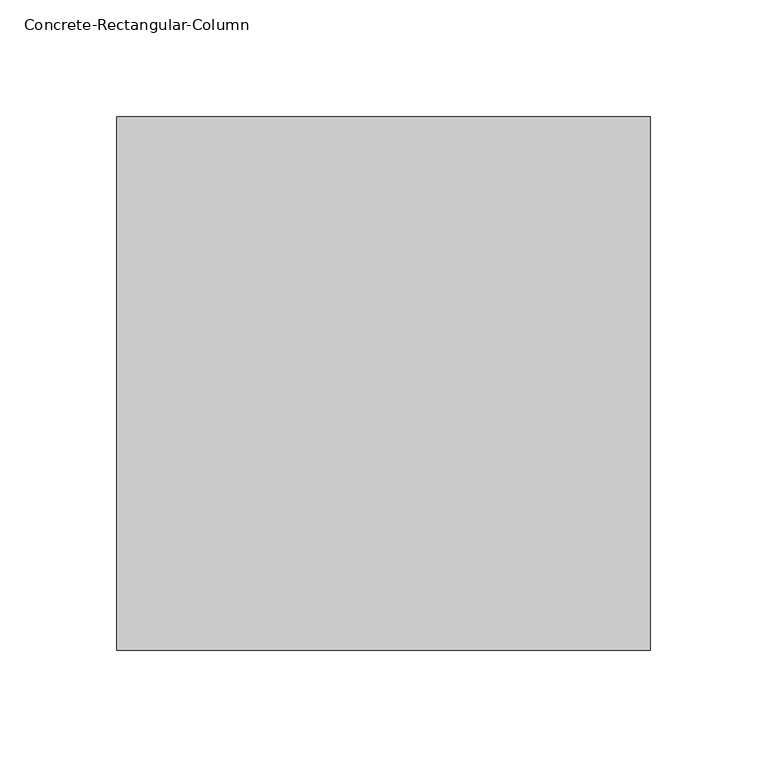
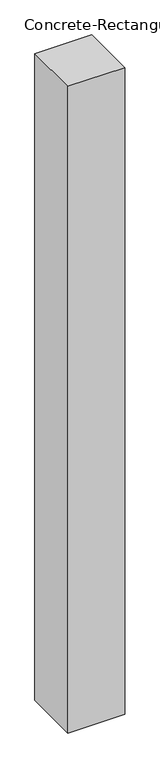
"""IFC4 building model written with IfcOpenShell, lengths in millimetres: column geometry, Concrete-Rectangular-Column."""

from ifc_helpers import new_model, si_unit, origin, origin_with_axes, place, context, project, spatial, polyline, outline, extrude, source, transform, mapped, element, save


def concrete_rectangular_column_2514d015(model_context):
    return source(origin(), model_context, "Body", "SweptSolid", [
        extrude(outline(polyline([(114.3, 114.3), (114.3, -114.3), (-114.3, -114.3), (-114.3, 114.3), (114.3, 114.3)])), origin_with_axes(), (0.0, 0.0, 1.0), 2743.2),
    ])


if __name__ == "__main__":
    model = new_model("IFC4")
    model_context = context("Model", 3, world=origin())
    ifc_project = project(units=[si_unit("LENGTHUNIT", "METRE", prefix="MILLI")], contexts=[model_context])
    site = spatial("IfcSite", under=ifc_project)
    building = spatial("IfcBuilding", under=site)
    placement = place(None, origin())
    concrete_rectangular_column_shape = concrete_rectangular_column_2514d015(model_context)
    element("IfcColumn", 1, ObjectType="Concrete-Rectangular-Column", at=placement, inside=building, context=model_context, shape_type="MappedRepresentation", body=[
        mapped(concrete_rectangular_column_shape, transform((0.0, 0.0, 0.0), x_axis=(1.0, 0.0, 0.0), y_axis=(0.0, 1.0, 0.0), z_axis=(0.0, 0.0, 1.0))),
    ])
    save(model, "model.ifc")
